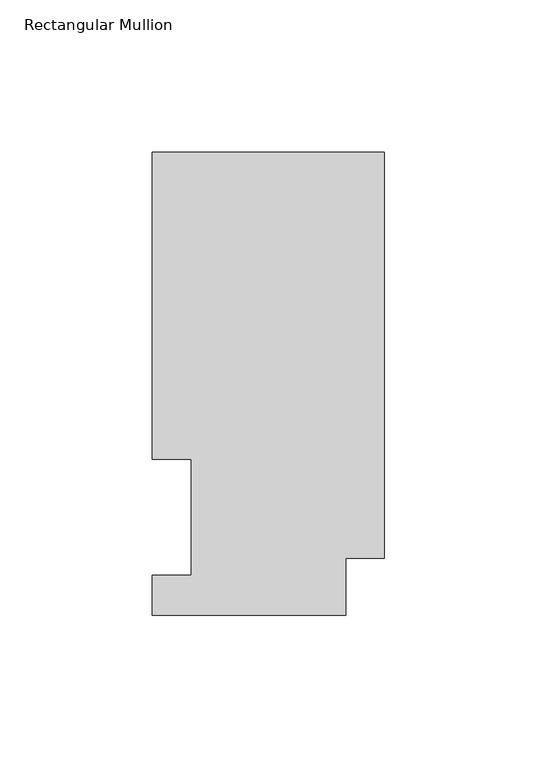
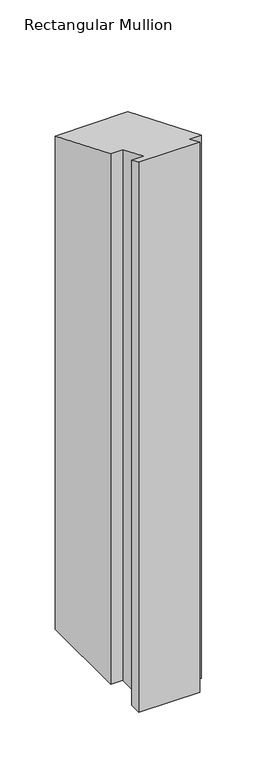
"""IFC4 building model written with IfcOpenShell, lengths in millimetres: member geometry, Rectangular Mullion."""

from ifc_helpers import new_model, si_unit, origin, place, context, project, spatial, faceted_brep, source, transform, mapped, element, save


def rectangular_mullion_14cddec9(model_context):
    return source(origin(), model_context, "Body", "Brep", [
        faceted_brep([(0.0, 151.9816938, -609.6), (0.0, 18.7332938, -609.6), (-12.7, 18.7332938, -609.6), (-12.7, 0.0134937, -609.6), (-76.2, 0.0134937, -609.6), (-76.2, 13.1960937, -609.6), (-63.5, 13.1960937, -609.6), (-63.5, 51.2960937, -609.6), (-76.2, 51.2960937, -609.6), (-76.2, 151.9816937, -609.6), (-76.2, 151.9816937, -62.9528788), (0.0, 151.9816938, -62.9528788), (-76.2, 51.2960937, -21.2475377), (-63.5, 51.2960937, -21.2475377), (-63.5, 13.1960937, -5.466001), (-76.2, 13.1960937, -5.466001), (-76.2, 0.0134937, -0.0055893), (-12.7, 0.0134937, -0.0055893), (-12.7, 18.7332938, -7.7595843), (0.0, 18.7332938, -7.7595843)], [[[0, 1, 2, 3, 4, 5, 6, 7, 8, 9]], [[10, 11, 0, 9]], [[12, 10, 9, 8]], [[13, 12, 8, 7]], [[14, 13, 7, 6]], [[15, 14, 6, 5]], [[16, 15, 5, 4]], [[17, 16, 4, 3]], [[18, 17, 3, 2]], [[19, 18, 2, 1]], [[11, 19, 1, 0]], [[11, 10, 12, 13, 14, 15, 16, 17, 18, 19]]]),
    ])


if __name__ == "__main__":
    model = new_model("IFC4")
    model_context = context("Model", 3, world=origin())
    ifc_project = project(units=[si_unit("LENGTHUNIT", "METRE", prefix="MILLI")], contexts=[model_context])
    site = spatial("IfcSite", under=ifc_project)
    building = spatial("IfcBuilding", under=site)
    placement = place(None, origin())
    rectangular_mullion_shape = rectangular_mullion_14cddec9(model_context)
    element("IfcMember", 1, ObjectType="Rectangular Mullion", at=placement, inside=building, context=model_context, shape_type="MappedRepresentation", body=[
        mapped(rectangular_mullion_shape, transform((0.0, 0.0, 0.0), x_axis=(1.0, 0.0, 0.0), y_axis=(0.0, 1.0, 0.0), z_axis=(0.0, 0.0, 1.0))),
    ])
    save(model, "model.ifc")
